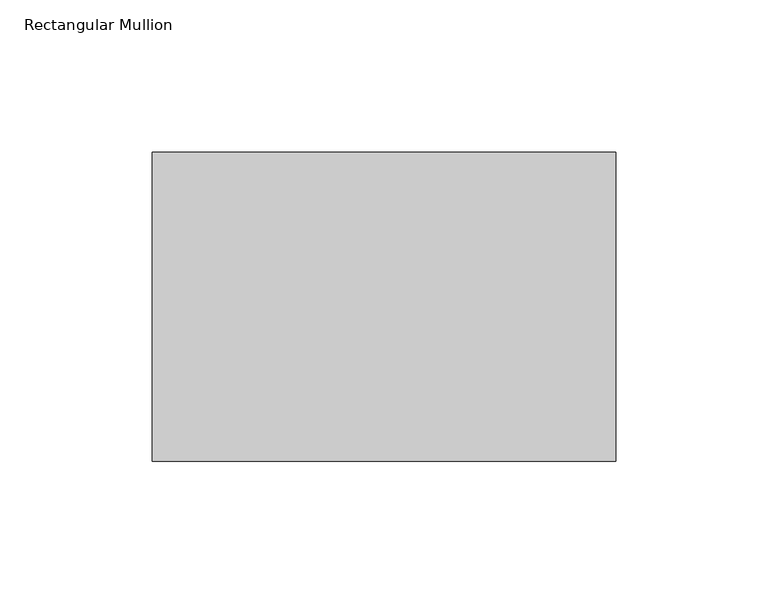
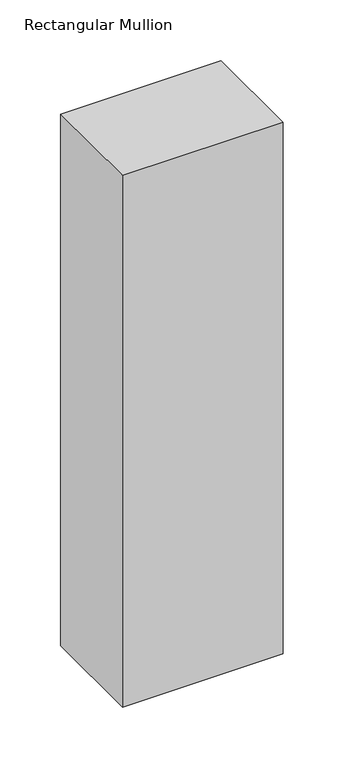
"""IFC4 building model written with IfcOpenShell, lengths in millimetres: member geometry, Rectangular Mullion."""

from ifc_helpers import new_model, si_unit, frame, origin, place, context, project, spatial, polyline, outline, extrude, source, transform, mapped, element, save


def rectangular_mullion_907f934d(model_context):
    return source(origin(), model_context, "Body", "SweptSolid", [
        extrude(outline(polyline([(127.0, 19.05), (127.0, -82.55), (-25.4, -82.55), (-25.4, 19.05), (127.0, 19.05)])), frame((0.0, 0.0, -533.4), z_axis=(0.0, 0.0, 1.0), x_axis=(1.0, 0.0, 0.0)), (0.0, 0.0, 1.0), 533.4),
    ])


if __name__ == "__main__":
    model = new_model("IFC4")
    model_context = context("Model", 3, world=origin())
    ifc_project = project(units=[si_unit("LENGTHUNIT", "METRE", prefix="MILLI")], contexts=[model_context])
    site = spatial("IfcSite", under=ifc_project)
    building = spatial("IfcBuilding", under=site)
    placement = place(None, origin())
    rectangular_mullion_shape = rectangular_mullion_907f934d(model_context)
    element("IfcMember", 1, ObjectType="Rectangular Mullion", at=placement, inside=building, context=model_context, shape_type="MappedRepresentation", body=[
        mapped(rectangular_mullion_shape, transform((0.0, 0.0, 0.0), x_axis=(1.0, 0.0, 0.0), y_axis=(0.0, 1.0, 0.0), z_axis=(0.0, 0.0, 1.0))),
    ])
    save(model, "model.ifc")
